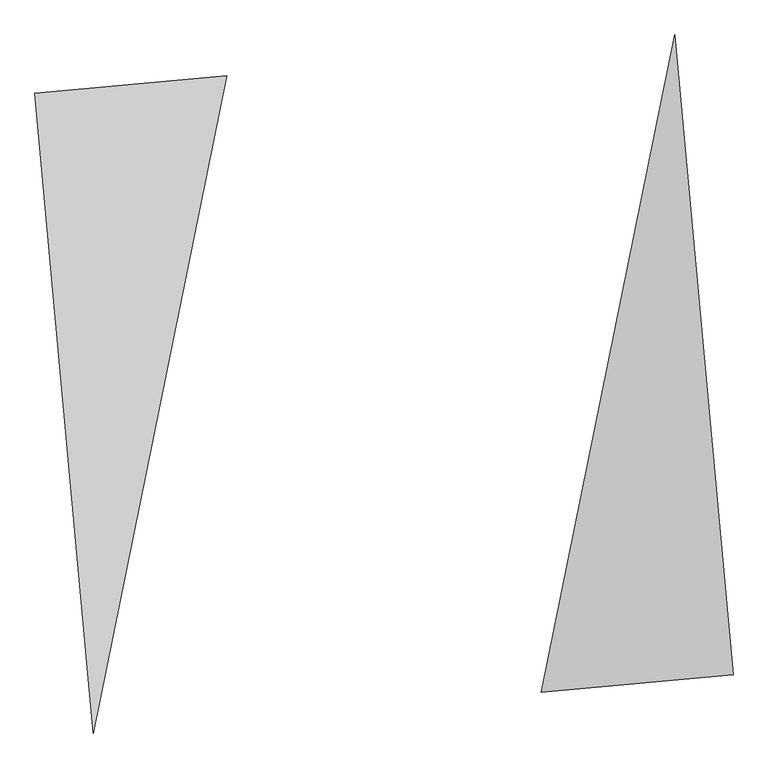
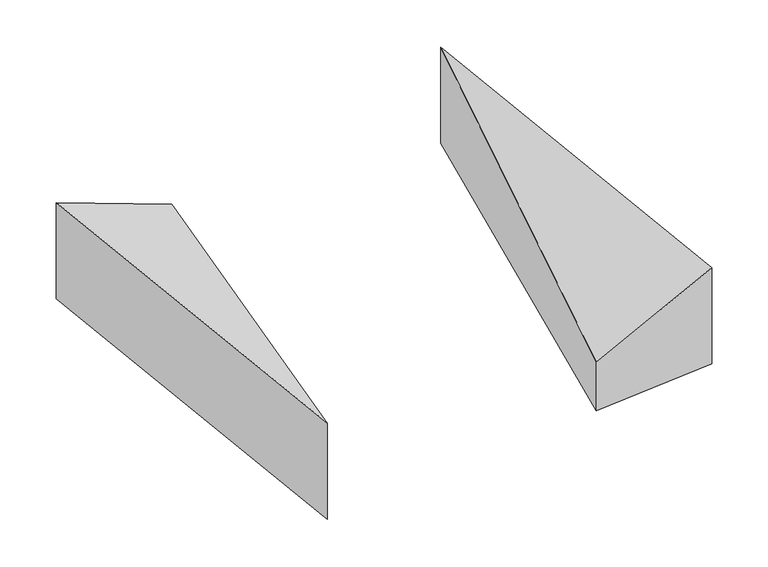
"""IFC4 building model written with IfcOpenShell, lengths in millimetres: proxy geometry."""

from ifc_helpers import new_model, si_unit, origin, place, context, project, spatial, faceted_brep, source, transform, mapped, element, save


def generic_models_c387b7e4(model_context):
    return source(origin(), model_context, "Body", "Brep", [
        faceted_brep([(-977.7860573, 1919.3578161, 0.0), (-2172.857905, 1810.7149209, 0.0), (-2172.857905, 1810.7149209, 1000.0), (-977.7860573, 1919.3578161, 500.0), (-1810.7149209, -2172.857905, 0.0), (-1810.7149209, -2172.857905, 1000.0)], [[[0, 1, 2, 3]], [[1, 4, 5, 2]], [[4, 0, 3, 5]], [[3, 2, 5]], [[0, 4, 1]]]),
        faceted_brep([(2172.857905, -1810.7149209, 0.0), (1810.7149209, 2172.857905, 0.0), (1810.7149209, 2172.857905, 1000.0), (2172.857905, -1810.7149209, 1000.0), (977.7860573, -1919.3578161, 0.0), (977.7860573, -1919.3578161, 500.0)], [[[0, 1, 2, 3]], [[1, 4, 5, 2]], [[4, 0, 3, 5]], [[2, 5, 3]], [[0, 4, 1]]]),
    ])


if __name__ == "__main__":
    model = new_model("IFC4")
    model_context = context("Model", 3, world=origin())
    ifc_project = project(units=[si_unit("LENGTHUNIT", "METRE", prefix="MILLI")], contexts=[model_context])
    site = spatial("IfcSite", under=ifc_project)
    building = spatial("IfcBuilding", under=site)
    placement = place(None, origin())
    generic_models_shape = generic_models_c387b7e4(model_context)
    element("IfcBuildingElementProxy", 1, Name="Generic Models", at=placement, inside=building, context=model_context, shape_type="MappedRepresentation", body=[
        mapped(generic_models_shape, transform((0.0, 0.0, 0.0), x_axis=(1.0, 0.0, 0.0), y_axis=(0.0, 1.0, 0.0), z_axis=(0.0, 0.0, 1.0))),
    ])
    save(model, "model.ifc")
